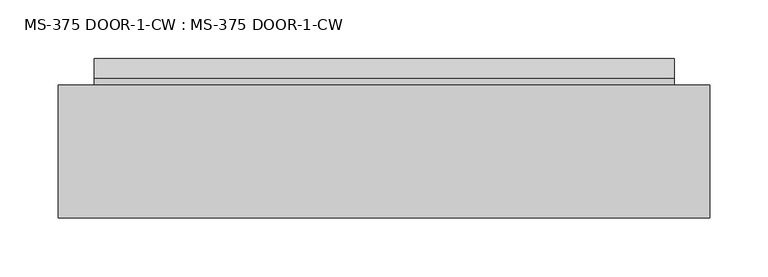
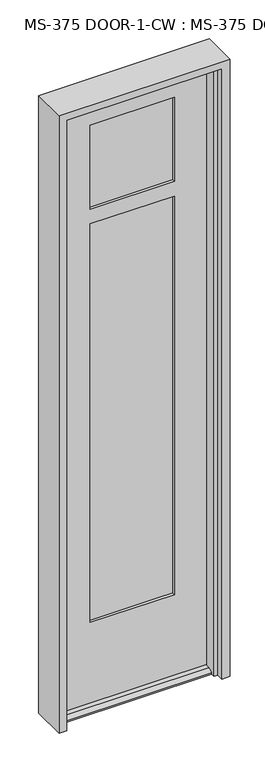
"""IFC4 building model written with IfcOpenShell, lengths in millimetres: plate geometry, MS-375 DOOR-1-CW : MS-375 DOOR-1-CW."""

import ifcopenshell
import ifcopenshell.guid

model = None  # the IFC model being written
_history = None  # IfcOwnerHistory: only IFC2X3 demands one
_inside = {}  # id of a spatial element -> (the spatial element, [elements in it])
_under = {}  # id of a project, library or spatial element -> (it, [spatial elements below it])
_declared = {}  # id of a project -> (the project, [libraries it declares])
_typed = {}  # id of a type object -> (the type object, [elements of that type])
_made_of = {}  # id of a material, layer set ... -> (it, [elements and type objects made of it])


def new_model(schema):
    """Start an empty IFC model of exactly this schema.

    Asked for "IFC4X3", IfcOpenShell would pick the latest addendum, in which some entities
    have other attributes; the version numbers below select the first issue.
    IFC2X3 requires an IfcOwnerHistory on every rooted entity: one is made here for all.
    """
    global model, _history
    if schema == "IFC4X3":
        model = ifcopenshell.file(schema_version=(4, 3, 0, 0))
    else:
        model = ifcopenshell.file(schema=schema)
    _inside.clear()
    _under.clear()
    _declared.clear()
    _typed.clear()
    _made_of.clear()
    _history = None
    if model.schema == "IFC2X3":
        org = make("IfcOrganization", Name="unknown")
        user = make(
            "IfcPersonAndOrganization",
            ThePerson=make("IfcPerson", FamilyName="unknown"),
            TheOrganization=org,
        )
        app = make(
            "IfcApplication",
            ApplicationDeveloper=org,
            Version="unknown",
            ApplicationFullName="unknown",
            ApplicationIdentifier="unknown",
        )
        _history = make(
            "IfcOwnerHistory",
            OwningUser=user,
            OwningApplication=app,
            ChangeAction="ADDED",
            CreationDate=0,
        )
    return model


def make(cls, **values):
    """One entity of the class cls with the attributes given. An attribute that is None is left unset."""
    return model.create_entity(
        cls, **{name: value for name, value in values.items() if value is not None}
    )


def rooted(cls, **values):
    """An entity with a GlobalId (a new one), such as an element, a storey or a relation."""
    return make(cls, GlobalId=ifcopenshell.guid.new(), OwnerHistory=_history, **values)


def si_unit(unit_type, name, prefix=None):
    """IfcSIUnit, for example si_unit("LENGTHUNIT", "METRE", prefix="MILLI")."""
    return make("IfcSIUnit", UnitType=unit_type, Prefix=prefix, Name=name)


def assignment(units):
    """IfcUnitAssignment: the units of a project."""
    return None if units is None else make("IfcUnitAssignment", Units=units)


def point(xyz):
    """IfcCartesianPoint."""
    return None if xyz is None else make("IfcCartesianPoint", Coordinates=xyz)


def direction(xyz):
    """IfcDirection."""
    return None if xyz is None else make("IfcDirection", DirectionRatios=xyz)


def frame(location, z_axis=None, x_axis=None):
    """IfcAxis2Placement3D, a coordinate frame: its origin and axes. An axis left out is left unset."""
    return make(
        "IfcAxis2Placement3D",
        Location=point(location),
        Axis=direction(z_axis),
        RefDirection=direction(x_axis),
    )


def origin():
    """The frame at (0, 0, 0) with its axes left unset."""
    return frame((0.0, 0.0, 0.0))


def place(relative_to, where):
    """IfcLocalPlacement: puts the frame where relative to a parent placement (None: the world)."""
    return make(
        "IfcLocalPlacement", PlacementRelTo=relative_to, RelativePlacement=where
    )


def context(
    kind, dimensions, precision=None, world=None, true_north=None, identifier=None
):
    """IfcGeometricRepresentationContext, for example the 3D "Model" context."""
    return make(
        "IfcGeometricRepresentationContext",
        ContextIdentifier=identifier,
        ContextType=kind,
        CoordinateSpaceDimension=dimensions,
        Precision=precision,
        WorldCoordinateSystem=world,
        TrueNorth=true_north,
    )


def project(units=None, contexts=None):
    """IfcProject with its units and contexts."""
    return rooted(
        "IfcProject",
        Name="project",
        RepresentationContexts=contexts,
        UnitsInContext=assignment(units),
    )


def spatial(cls, under=None, at=None, **own):
    """A site, building, storey or space (cls), placed at a placement, below another one or the project."""
    s = rooted(cls, ObjectPlacement=at, **own)
    if under is not None:
        _under.setdefault(under.id(), (under, []))[1].append(s)
    return s


def polyline(points):
    """IfcPolyline through the points."""
    return make("IfcPolyline", Points=[point(p) for p in points])


def outline(outer, holes=None, kind="AREA"):
    """IfcArbitraryClosedProfileDef: a profile drawn as a closed curve; with holes, ...WithVoids."""
    if holes is None:
        return make("IfcArbitraryClosedProfileDef", ProfileType=kind, OuterCurve=outer)
    return make(
        "IfcArbitraryProfileDefWithVoids",
        ProfileType=kind,
        OuterCurve=outer,
        InnerCurves=holes,
    )


def extrude(swept, where, along, depth):
    """IfcExtrudedAreaSolid: the profile swept, set in the frame where, extruded along a direction by depth."""
    return make(
        "IfcExtrudedAreaSolid",
        SweptArea=swept,
        Position=where,
        ExtrudedDirection=direction(along),
        Depth=depth,
    )


def faces_of(points, faces, orient=None, outer=None):
    """IfcFace entities. A face is a list of loops; a loop is a list of indices into points, from 0.

    orient and outer hold one flag for each loop. By default every Orientation is true, the
    first loop of a face is its IfcFaceOuterBound and the others are IfcFaceBound.
    """
    made = []
    for i, loops in enumerate(faces):
        bounds = []
        for j, loop in enumerate(loops):
            is_outer = j == 0 if outer is None else outer[i][j]
            bounds.append(
                make(
                    "IfcFaceOuterBound" if is_outer else "IfcFaceBound",
                    Bound=make("IfcPolyLoop", Polygon=[points[k] for k in loop]),
                    Orientation=True if orient is None else orient[i][j],
                )
            )
        made.append(make("IfcFace", Bounds=bounds))
    return made


def faceted_brep(points, faces, orient=None, outer=None, voids=None):
    """IfcFacetedBrep: a solid bounded by flat faces; with voids (closed shells), ...WithVoids."""
    shared = [point(p) for p in points]
    hull = make("IfcClosedShell", CfsFaces=faces_of(shared, faces, orient, outer))
    if voids is None:
        return make("IfcFacetedBrep", Outer=hull)
    return make(
        "IfcFacetedBrepWithVoids",
        Outer=hull,
        Voids=[
            make(cls, CfsFaces=faces_of(shared, fs, o, b)) for cls, fs, o, b in voids
        ],
    )


def shape(context_of_items, identifier, shape_type, items):
    """IfcShapeRepresentation: the items that make up one representation, for example the "Body"."""
    return make(
        "IfcShapeRepresentation",
        ContextOfItems=context_of_items,
        RepresentationIdentifier=identifier,
        RepresentationType=shape_type,
        Items=items,
    )


def source(mapping_origin, context_of_items, identifier, shape_type, items):
    """IfcRepresentationMap: a shape defined once, which mapped items show again and again."""
    return make(
        "IfcRepresentationMap",
        MappingOrigin=mapping_origin,
        MappedRepresentation=shape(context_of_items, identifier, shape_type, items),
    )


def transform(
    local_origin,
    x_axis=None,
    y_axis=None,
    z_axis=None,
    scale=None,
    scale2=None,
    scale3=None,
    uniform=True,
):
    """IfcCartesianTransformationOperator3D, or its non-uniform kind. x_axis, y_axis, z_axis: its Axis1, 2, 3."""
    if uniform:
        return make(
            "IfcCartesianTransformationOperator3D",
            Axis1=direction(x_axis),
            Axis2=direction(y_axis),
            LocalOrigin=point(local_origin),
            Scale=scale,
            Axis3=direction(z_axis),
        )
    return make(
        "IfcCartesianTransformationOperator3DnonUniform",
        Axis1=direction(x_axis),
        Axis2=direction(y_axis),
        LocalOrigin=point(local_origin),
        Scale=scale,
        Axis3=direction(z_axis),
        Scale2=scale2,
        Scale3=scale3,
    )


def mapped(mapping_source, mapping_target):
    """IfcMappedItem: shows the shape of a source again, moved by a transform."""
    return make(
        "IfcMappedItem", MappingSource=mapping_source, MappingTarget=mapping_target
    )


def made_of(thing, what):
    """Note that an element or type object is made of a material, layer set ...; save() writes the relation."""
    if what is not None:
        _made_of.setdefault(what.id(), (what, []))[1].append(thing)
    return thing


def element(
    cls,
    number,
    at=None,
    inside=None,
    cuts=None,
    type_object=None,
    material=None,
    context=None,
    identifier="Body",
    shape_type=None,
    held_by="IfcProductDefinitionShape",
    body=None,
    shapes=None,
    **own,
):
    """One element of the class cls, such as IfcWall. Its Tag is "e" and its number.

    at: its placement. inside: the storey or other place that contains it. cuts: it is an
    opening in that element (IfcRelVoidsElement). A single representation is given by context,
    identifier, shape_type and body (its items); several are given by shapes. held_by: the class
    of the entity that holds the representations. save() writes the other relations.
    """
    e = rooted(cls, Tag="e%d" % number, ObjectPlacement=at, **own)
    if body is not None:
        shapes = [shape(context, identifier, shape_type, body)]
    if shapes is not None:
        e.Representation = make(held_by, Representations=shapes)
    if inside is not None:
        _inside.setdefault(inside.id(), (inside, []))[1].append(e)
    if cuts is not None:
        rooted(
            "IfcRelVoidsElement", RelatingBuildingElement=cuts, RelatedOpeningElement=e
        )
    if type_object is not None:
        _typed.setdefault(type_object.id(), (type_object, []))[1].append(e)
    return made_of(e, material)


def aggregate(whole, parts):
    """IfcRelAggregates: a whole, such as a stair, and the parts it consists of."""
    return rooted("IfcRelAggregates", RelatingObject=whole, RelatedObjects=parts)


def save(model, path):
    """Write the relations noted so far, then the file.

    IfcRelAggregates (storeys below a building ...), IfcRelContainedInSpatialStructure (elements
    in a storey), IfcRelDefinesByType, IfcRelAssociatesMaterial and IfcRelDeclares: one each for
    every whole, place, type object, material and project.
    """
    for whole, parts in _under.values():
        aggregate(whole, parts)
    for where, things in _inside.values():
        rooted(
            "IfcRelContainedInSpatialStructure",
            RelatedElements=things,
            RelatingStructure=where,
        )
    for kind, things in _typed.values():
        rooted("IfcRelDefinesByType", RelatedObjects=things, RelatingType=kind)
    for what, things in _made_of.values():
        rooted("IfcRelAssociatesMaterial", RelatedObjects=things, RelatingMaterial=what)
    for by, libraries in _declared.values():
        rooted("IfcRelDeclares", RelatingContext=by, RelatedDefinitions=libraries)
    model.write(path)


def ms_375_door_1_cw_ms_375_door_1_cw_683372b3(model_context):
    return source(origin(), model_context, "Body", "SolidModel", [
        faceted_brep([(248.97183, -45.24375, 12.7), (248.97183, -61.8934954, 12.7), (248.97183, -78.5813408, 4.9183299), (248.97183, -78.5813408, 0.0003044), (248.97183, -45.24375, 0.0003044), (248.97183, 23.01875, 0.0003044), (248.97183, 23.01875, 4.9183299), (248.97183, 6.3309046, 12.7), (248.97183, -0.79375, 12.7), (248.97183, -0.79375, 0.0003044), (-248.72847, -0.79375, 12.7), (-248.72847, 6.3309046, 12.7), (-248.72847, 23.01875, 4.9183299), (-248.72847, 23.01875, 0.0003044), (-248.72847, -0.79375, 0.0003044), (-248.72847, -78.5813408, 0.0003044), (-248.72847, -78.5813408, 4.9183299), (-248.72847, -61.8934954, 12.7), (-248.72847, -45.24375, 12.7), (-248.72847, -45.24375, 0.0003044), (251.74043, -45.24375, 2105.025), (248.97183, -0.79375, 2105.025), (-251.49707, -0.79375, 2105.025), (-248.72847, -45.24375, 2105.025), (137.44043, -0.79375, 2008.98125), (137.44043, -10.31875, 2008.98125), (-137.19707, -10.31875, 2008.98125), (-137.19707, -0.79375, 2008.98125), (144.58418, -10.31875, 2016.125), (144.58418, -35.71875, 2016.125), (-144.34082, -35.71875, 2016.125), (-144.34082, -10.31875, 2016.125), (137.44043, -35.71875, 2008.98125), (137.44043, -45.24375, 2008.98125), (-137.19707, -45.24375, 2008.98125), (-137.19707, -35.71875, 2008.98125), (144.58418, -35.71875, 1674.8125), (-144.34082, -35.71875, 1674.8125), (-144.34082, -10.31875, 1674.8125), (144.58418, -10.31875, 1674.8125), (-137.19707, -0.79375, 1667.66875), (137.44043, -0.79375, 1667.66875), (137.44043, -10.31875, 1667.66875), (-137.19707, -10.31875, 1667.66875), (137.44043, -0.79375, 1718.46875), (-137.19707, -0.79375, 1718.46875), (-137.19707, -10.31875, 1718.46875), (137.44043, -10.31875, 1718.46875), (-144.34082, -35.71875, 1711.325), (144.58418, -35.71875, 1711.325), (144.58418, -10.31875, 1711.325), (-144.34082, -10.31875, 1711.325), (137.44043, -35.71875, 1718.46875), (-137.19707, -35.71875, 1718.46875), (-137.19707, -45.24375, 1718.46875), (137.44043, -45.24375, 1718.46875), (-137.19707, -35.71875, 1667.66875), (137.44043, -35.71875, 1667.66875), (137.44043, -45.24375, 1667.66875), (-137.19707, -45.24375, 1667.66875), (144.58418, -35.71875, 283.36875), (144.58418, -10.31875, 283.36875), (-144.34082, -10.31875, 283.36875), (-144.34082, -35.71875, 283.36875), (-137.19707, -35.71875, 290.5125), (137.44043, -35.71875, 290.5125), (137.44043, -45.24375, 290.5125), (-137.19707, -45.24375, 290.5125), (251.74043, -45.24375, 0.0), (-251.49707, -0.79375, 0.0003044), (-137.19707, -0.79375, 290.5125), (137.44043, -0.79375, 290.5125), (137.44043, -10.31875, 290.5125), (-137.19707, -10.31875, 290.5125)], [[[0, 1, 2, 3, 4]], [[5, 6, 7, 8, 9]], [[10, 11, 12, 13, 14]], [[15, 16, 17, 18, 19]], [[20, 21, 22, 23]], [[24, 25, 26, 27]], [[28, 29, 30, 31]], [[32, 33, 34, 35]], [[36, 37, 38, 39]], [[40, 41, 42, 43]], [[44, 45, 46, 47]], [[48, 49, 50, 51]], [[52, 53, 54, 55]], [[56, 57, 58, 59]], [[60, 61, 62, 63]], [[30, 29, 49, 48], [32, 35, 53, 52]], [[60, 63, 37, 36], [64, 65, 57, 56]], [[66, 65, 64, 67]], [[68, 20, 23, 18, 0, 4], [34, 33, 55, 54], [67, 59, 58, 66]], [[1, 0, 18, 17]], [[2, 1, 17, 16]], [[3, 2, 16, 15]], [[3, 15, 19, 69, 14, 13, 5, 9, 68, 4]], [[6, 5, 13, 12]], [[7, 6, 12, 11]], [[8, 7, 11, 10]], [[69, 22, 21, 8, 10, 14], [27, 45, 44, 24], [70, 71, 41, 40]], [[72, 71, 70, 73]], [[28, 31, 51, 50], [26, 25, 47, 46]], [[62, 61, 39, 38], [72, 73, 43, 42]], [[18, 23, 22, 69, 19]], [[35, 34, 54, 53]], [[67, 64, 56, 59]], [[37, 63, 62, 38]], [[51, 31, 30, 48]], [[27, 26, 46, 45]], [[73, 70, 40, 43]], [[25, 24, 44, 47]], [[71, 72, 42, 41]], [[49, 29, 28, 50]], [[39, 61, 60, 36]], [[33, 32, 52, 55]], [[65, 66, 58, 57]], [[8, 21, 20, 68, 9]]]),
        extrude(outline(polyline([(144.58418, -35.71875), (-144.34082, -35.71875), (-144.34082, -29.41955), (144.58418, -29.41955), (144.58418, -35.71875)])), frame((0.0, 0.0, 1711.325), z_axis=(0.0, 0.0, 1.0), x_axis=(1.0, 0.0, 0.0)), (0.0, 0.0, 1.0), 304.8),
        extrude(outline(polyline([(-144.34082, -10.31875), (144.58418, -10.31875), (144.58418, -16.61795), (-144.34082, -16.61795), (-144.34082, -10.31875)])), frame((0.0, 0.0, 1711.325), z_axis=(0.0, 0.0, 1.0), x_axis=(1.0, 0.0, 0.0)), (0.0, 0.0, 1.0), 304.8),
        extrude(outline(polyline([(-144.34082, -16.61795), (-144.34082, -10.31875), (144.58418, -10.31875), (144.58418, -16.61795), (-144.34082, -16.61795)])), frame((0.0, 0.0, 283.36875), z_axis=(0.0, 0.0, 1.0), x_axis=(1.0, 0.0, 0.0)), (0.0, 0.0, 1.0), 1391.44375),
        extrude(outline(polyline([(-144.34082, -35.71875), (-144.34082, -29.41955), (144.58418, -29.41955), (144.58418, -35.71875), (-144.34082, -35.71875)])), frame((0.0, 0.0, 283.36875), z_axis=(0.0, 0.0, 1.0), x_axis=(1.0, 0.0, 0.0)), (0.0, 0.0, 1.0), 1391.44375),
        faceted_brep([(241.3, -50.038, 0.0), (254.0, -50.038, 0.0), (254.0, 0.0, 0.0), (279.4, 0.0, 0.0), (279.4, -114.3, 0.0), (254.0, -114.3, 0.0), (254.0, -91.313, 0.0), (241.3, -91.313, 0.0), (279.4, -114.3, 2133.6), (279.4, 0.0, 2133.6), (-279.4, 0.0, 2133.6), (-279.4, -114.3, 2133.6), (241.3, -50.038, 2095.5), (-241.3, -50.038, 2095.5), (-241.3, -50.038, 0.0), (-254.0, -50.038, 0.0), (-254.0, -50.038, 2108.2), (254.0, -50.038, 2108.2), (254.0, 0.0, 2108.2), (-254.0, 0.0, 2108.2), (-254.0, 0.0, 0.0), (-279.4, 0.0, 0.0), (-279.4, -114.3, 0.0), (-254.0, -114.3, 0.0), (-254.0, -114.3, 2108.2), (254.0, -114.3, 2108.2), (254.0, -91.313, 2108.2), (-254.0, -91.313, 2108.2), (-254.0, -91.313, 0.0), (-241.3, -91.313, 0.0), (-241.3, -91.313, 2095.5), (241.3, -91.313, 2095.5)], [[[0, 1, 2, 3, 4, 5, 6, 7]], [[8, 9, 10, 11]], [[1, 0, 12, 13, 14, 15, 16, 17]], [[2, 1, 17, 18]], [[3, 2, 18, 19, 20, 21, 10, 9]], [[8, 4, 3, 9]], [[5, 4, 8, 11, 22, 23, 24, 25]], [[26, 6, 5, 25]], [[7, 6, 26, 27, 28, 29, 30, 31]], [[0, 7, 31, 12]], [[14, 29, 28, 23, 22, 21, 20, 15]], [[29, 14, 13, 30]], [[23, 28, 27, 24]], [[10, 21, 22, 11]], [[16, 15, 20, 19]], [[27, 26, 25, 24]], [[17, 16, 19, 18]], [[13, 12, 31, 30]]]),
    ])


if __name__ == "__main__":
    model = new_model("IFC4")
    model_context = context("Model", 3, world=origin())
    ifc_project = project(units=[si_unit("LENGTHUNIT", "METRE", prefix="MILLI")], contexts=[model_context])
    site = spatial("IfcSite", under=ifc_project)
    building = spatial("IfcBuilding", under=site)
    placement = place(None, origin())
    ms_375_door_1_cw_ms_375_door_1_cw_shape = ms_375_door_1_cw_ms_375_door_1_cw_683372b3(model_context)
    element("IfcPlate", 1, ObjectType="MS-375 DOOR-1-CW : MS-375 DOOR-1-CW", at=placement, inside=building, context=model_context, shape_type="MappedRepresentation", body=[
        mapped(ms_375_door_1_cw_ms_375_door_1_cw_shape, transform((0.0, 0.0, 0.0), x_axis=(1.0, 0.0, 0.0), y_axis=(0.0, 1.0, 0.0), z_axis=(0.0, 0.0, 1.0))),
    ])
    save(model, "model.ifc")
